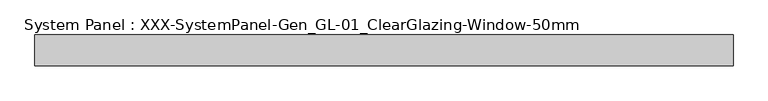
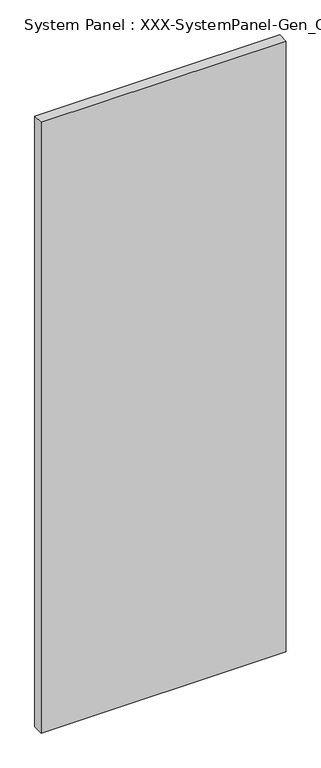
"""IFC4 building model written with IfcOpenShell, lengths in millimetres: plate geometry, System Panel : XXX-SystemPanel-Gen_GL-01_ClearGlazing-Window-50mm."""

from ifc_helpers import new_model, si_unit, origin, origin_with_axes, place, context, project, spatial, polyline, outline, extrude, source, transform, mapped, element, save


def system_panel_xxx_systempanel_gen_gl_01_clearglazing_window_9c301a1b(model_context):
    return source(origin(), model_context, "Body", "SweptSolid", [
        extrude(outline(polyline([(570.0123316, 10.0), (-570.0123316, 10.0), (-570.0123316, 60.0), (570.0123316, 60.0), (570.0123316, 10.0)])), origin_with_axes(), (0.0, 0.0, 1.0), 3003.345665),
    ])


if __name__ == "__main__":
    model = new_model("IFC4")
    model_context = context("Model", 3, world=origin())
    ifc_project = project(units=[si_unit("LENGTHUNIT", "METRE", prefix="MILLI")], contexts=[model_context])
    site = spatial("IfcSite", under=ifc_project)
    building = spatial("IfcBuilding", under=site)
    placement = place(None, origin())
    system_panel_xxx_systempanel_gen_gl_01_clearglazing_window_shape = system_panel_xxx_systempanel_gen_gl_01_clearglazing_window_9c301a1b(model_context)
    element("IfcPlate", 1, ObjectType="System Panel : XXX-SystemPanel-Gen_GL-01_ClearGlazing-Window-50mm", at=placement, inside=building, context=model_context, shape_type="MappedRepresentation", body=[
        mapped(system_panel_xxx_systempanel_gen_gl_01_clearglazing_window_shape, transform((0.0, 0.0, 0.0), x_axis=(1.0, 0.0, 0.0), y_axis=(0.0, 1.0, 0.0), z_axis=(0.0, 0.0, 1.0))),
    ])
    save(model, "model.ifc")
